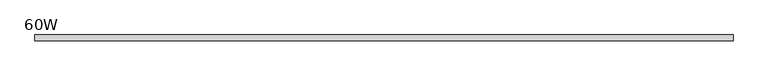
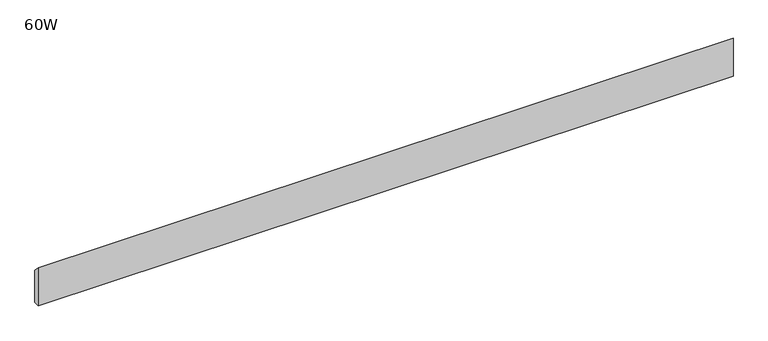
"""IFC4 building model written with IfcOpenShell, lengths in millimetres: furniture geometry, 60W."""

from ifc_helpers import new_model, si_unit, frame, origin, place, context, project, spatial, polyline, outline, extrude, source, transform, mapped, element, save


def furniture_60w_a91f8355(model_context):
    return source(origin(), model_context, "Body", "SweptSolid", [
        extrude(outline(polyline([(-11.938, 831.85), (-11.938, 914.4), (0.0, 901.7), (0.0, 831.85), (-11.938, 831.85)])), frame((48.006, 0.0, 0.0), z_axis=(1.0, 0.0, 0.0), x_axis=(0.0, 1.0, 0.0)), (0.0, 0.0, 1.0), 1427.988),
    ])


if __name__ == "__main__":
    model = new_model("IFC4")
    model_context = context("Model", 3, world=origin())
    ifc_project = project(units=[si_unit("LENGTHUNIT", "METRE", prefix="MILLI")], contexts=[model_context])
    site = spatial("IfcSite", under=ifc_project)
    building = spatial("IfcBuilding", under=site)
    placement = place(None, origin())
    furniture_60w_shape = furniture_60w_a91f8355(model_context)
    element("IfcFurniture", 1, ObjectType="60W", at=placement, inside=building, context=model_context, shape_type="MappedRepresentation", body=[
        mapped(furniture_60w_shape, transform((0.0, 0.0, 0.0), x_axis=(1.0, 0.0, 0.0), y_axis=(0.0, 1.0, 0.0), z_axis=(0.0, 0.0, 1.0))),
    ])
    save(model, "model.ifc")
